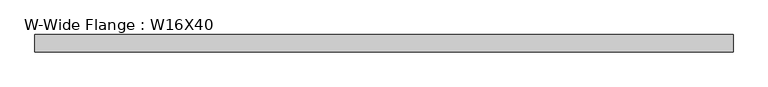
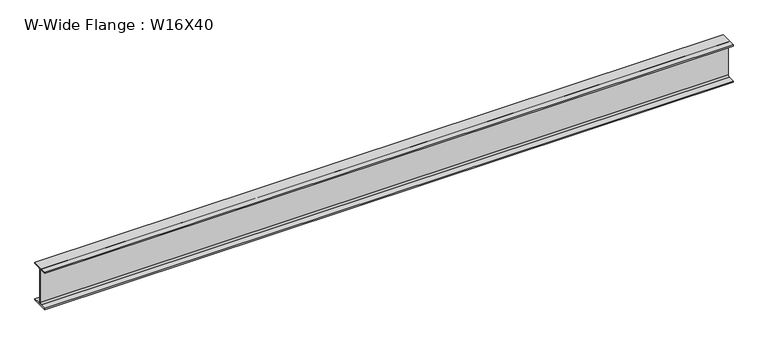
"""IFC4 building model written with IfcOpenShell, lengths in millimetres: beam geometry, W-Wide Flange : W16X40."""

import ifcopenshell
import ifcopenshell.guid

model = None  # the IFC model being written
_history = None  # IfcOwnerHistory: only IFC2X3 demands one
_inside = {}  # id of a spatial element -> (the spatial element, [elements in it])
_under = {}  # id of a project, library or spatial element -> (it, [spatial elements below it])
_declared = {}  # id of a project -> (the project, [libraries it declares])
_typed = {}  # id of a type object -> (the type object, [elements of that type])
_made_of = {}  # id of a material, layer set ... -> (it, [elements and type objects made of it])


def new_model(schema):
    """Start an empty IFC model of exactly this schema.

    Asked for "IFC4X3", IfcOpenShell would pick the latest addendum, in which some entities
    have other attributes; the version numbers below select the first issue.
    IFC2X3 requires an IfcOwnerHistory on every rooted entity: one is made here for all.
    """
    global model, _history
    if schema == "IFC4X3":
        model = ifcopenshell.file(schema_version=(4, 3, 0, 0))
    else:
        model = ifcopenshell.file(schema=schema)
    _inside.clear()
    _under.clear()
    _declared.clear()
    _typed.clear()
    _made_of.clear()
    _history = None
    if model.schema == "IFC2X3":
        org = make("IfcOrganization", Name="unknown")
        user = make(
            "IfcPersonAndOrganization",
            ThePerson=make("IfcPerson", FamilyName="unknown"),
            TheOrganization=org,
        )
        app = make(
            "IfcApplication",
            ApplicationDeveloper=org,
            Version="unknown",
            ApplicationFullName="unknown",
            ApplicationIdentifier="unknown",
        )
        _history = make(
            "IfcOwnerHistory",
            OwningUser=user,
            OwningApplication=app,
            ChangeAction="ADDED",
            CreationDate=0,
        )
    return model


def make(cls, **values):
    """One entity of the class cls with the attributes given. An attribute that is None is left unset."""
    return model.create_entity(
        cls, **{name: value for name, value in values.items() if value is not None}
    )


def rooted(cls, **values):
    """An entity with a GlobalId (a new one), such as an element, a storey or a relation."""
    return make(cls, GlobalId=ifcopenshell.guid.new(), OwnerHistory=_history, **values)


def si_unit(unit_type, name, prefix=None):
    """IfcSIUnit, for example si_unit("LENGTHUNIT", "METRE", prefix="MILLI")."""
    return make("IfcSIUnit", UnitType=unit_type, Prefix=prefix, Name=name)


def assignment(units):
    """IfcUnitAssignment: the units of a project."""
    return None if units is None else make("IfcUnitAssignment", Units=units)


def point(xyz):
    """IfcCartesianPoint."""
    return None if xyz is None else make("IfcCartesianPoint", Coordinates=xyz)


def direction(xyz):
    """IfcDirection."""
    return None if xyz is None else make("IfcDirection", DirectionRatios=xyz)


def frame(location, z_axis=None, x_axis=None):
    """IfcAxis2Placement3D, a coordinate frame: its origin and axes. An axis left out is left unset."""
    return make(
        "IfcAxis2Placement3D",
        Location=point(location),
        Axis=direction(z_axis),
        RefDirection=direction(x_axis),
    )


def frame_2d(location, x_axis=None):
    """IfcAxis2Placement2D, a coordinate frame in the plane: its origin and x axis."""
    return make(
        "IfcAxis2Placement2D", Location=point(location), RefDirection=direction(x_axis)
    )


def origin():
    """The frame at (0, 0, 0) with its axes left unset."""
    return frame((0.0, 0.0, 0.0))


def place(relative_to, where):
    """IfcLocalPlacement: puts the frame where relative to a parent placement (None: the world)."""
    return make(
        "IfcLocalPlacement", PlacementRelTo=relative_to, RelativePlacement=where
    )


def context(
    kind, dimensions, precision=None, world=None, true_north=None, identifier=None
):
    """IfcGeometricRepresentationContext, for example the 3D "Model" context."""
    return make(
        "IfcGeometricRepresentationContext",
        ContextIdentifier=identifier,
        ContextType=kind,
        CoordinateSpaceDimension=dimensions,
        Precision=precision,
        WorldCoordinateSystem=world,
        TrueNorth=true_north,
    )


def project(units=None, contexts=None):
    """IfcProject with its units and contexts."""
    return rooted(
        "IfcProject",
        Name="project",
        RepresentationContexts=contexts,
        UnitsInContext=assignment(units),
    )


def spatial(cls, under=None, at=None, **own):
    """A site, building, storey or space (cls), placed at a placement, below another one or the project."""
    s = rooted(cls, ObjectPlacement=at, **own)
    if under is not None:
        _under.setdefault(under.id(), (under, []))[1].append(s)
    return s


def polyline(points):
    """IfcPolyline through the points."""
    return make("IfcPolyline", Points=[point(p) for p in points])


def circle_curve(where, radius):
    """IfcCircle in the frame where."""
    return make("IfcCircle", Position=where, Radius=radius)


def trimmed(basis, trim1, trim2, sense, master):
    """IfcTrimmedCurve: the piece of a basis curve between two trims."""
    return make(
        "IfcTrimmedCurve",
        BasisCurve=basis,
        Trim1=trim1,
        Trim2=trim2,
        SenseAgreement=sense,
        MasterRepresentation=master,
    )


def segment(curve, same_sense, transition):
    """IfcCompositeCurveSegment."""
    return make(
        "IfcCompositeCurveSegment",
        Transition=transition,
        SameSense=same_sense,
        ParentCurve=curve,
    )


def composite_curve(segments, self_intersect=None):
    """IfcCompositeCurve: segments joined end to end."""
    return make("IfcCompositeCurve", Segments=segments, SelfIntersect=self_intersect)


def outline(outer, holes=None, kind="AREA"):
    """IfcArbitraryClosedProfileDef: a profile drawn as a closed curve; with holes, ...WithVoids."""
    if holes is None:
        return make("IfcArbitraryClosedProfileDef", ProfileType=kind, OuterCurve=outer)
    return make(
        "IfcArbitraryProfileDefWithVoids",
        ProfileType=kind,
        OuterCurve=outer,
        InnerCurves=holes,
    )


def extrude(swept, where, along, depth):
    """IfcExtrudedAreaSolid: the profile swept, set in the frame where, extruded along a direction by depth."""
    return make(
        "IfcExtrudedAreaSolid",
        SweptArea=swept,
        Position=where,
        ExtrudedDirection=direction(along),
        Depth=depth,
    )


def shape(context_of_items, identifier, shape_type, items):
    """IfcShapeRepresentation: the items that make up one representation, for example the "Body"."""
    return make(
        "IfcShapeRepresentation",
        ContextOfItems=context_of_items,
        RepresentationIdentifier=identifier,
        RepresentationType=shape_type,
        Items=items,
    )


def source(mapping_origin, context_of_items, identifier, shape_type, items):
    """IfcRepresentationMap: a shape defined once, which mapped items show again and again."""
    return make(
        "IfcRepresentationMap",
        MappingOrigin=mapping_origin,
        MappedRepresentation=shape(context_of_items, identifier, shape_type, items),
    )


def transform(
    local_origin,
    x_axis=None,
    y_axis=None,
    z_axis=None,
    scale=None,
    scale2=None,
    scale3=None,
    uniform=True,
):
    """IfcCartesianTransformationOperator3D, or its non-uniform kind. x_axis, y_axis, z_axis: its Axis1, 2, 3."""
    if uniform:
        return make(
            "IfcCartesianTransformationOperator3D",
            Axis1=direction(x_axis),
            Axis2=direction(y_axis),
            LocalOrigin=point(local_origin),
            Scale=scale,
            Axis3=direction(z_axis),
        )
    return make(
        "IfcCartesianTransformationOperator3DnonUniform",
        Axis1=direction(x_axis),
        Axis2=direction(y_axis),
        LocalOrigin=point(local_origin),
        Scale=scale,
        Axis3=direction(z_axis),
        Scale2=scale2,
        Scale3=scale3,
    )


def mapped(mapping_source, mapping_target):
    """IfcMappedItem: shows the shape of a source again, moved by a transform."""
    return make(
        "IfcMappedItem", MappingSource=mapping_source, MappingTarget=mapping_target
    )


def made_of(thing, what):
    """Note that an element or type object is made of a material, layer set ...; save() writes the relation."""
    if what is not None:
        _made_of.setdefault(what.id(), (what, []))[1].append(thing)
    return thing


def element(
    cls,
    number,
    at=None,
    inside=None,
    cuts=None,
    type_object=None,
    material=None,
    context=None,
    identifier="Body",
    shape_type=None,
    held_by="IfcProductDefinitionShape",
    body=None,
    shapes=None,
    **own,
):
    """One element of the class cls, such as IfcWall. Its Tag is "e" and its number.

    at: its placement. inside: the storey or other place that contains it. cuts: it is an
    opening in that element (IfcRelVoidsElement). A single representation is given by context,
    identifier, shape_type and body (its items); several are given by shapes. held_by: the class
    of the entity that holds the representations. save() writes the other relations.
    """
    e = rooted(cls, Tag="e%d" % number, ObjectPlacement=at, **own)
    if body is not None:
        shapes = [shape(context, identifier, shape_type, body)]
    if shapes is not None:
        e.Representation = make(held_by, Representations=shapes)
    if inside is not None:
        _inside.setdefault(inside.id(), (inside, []))[1].append(e)
    if cuts is not None:
        rooted(
            "IfcRelVoidsElement", RelatingBuildingElement=cuts, RelatedOpeningElement=e
        )
    if type_object is not None:
        _typed.setdefault(type_object.id(), (type_object, []))[1].append(e)
    return made_of(e, material)


def aggregate(whole, parts):
    """IfcRelAggregates: a whole, such as a stair, and the parts it consists of."""
    return rooted("IfcRelAggregates", RelatingObject=whole, RelatedObjects=parts)


def save(model, path):
    """Write the relations noted so far, then the file.

    IfcRelAggregates (storeys below a building ...), IfcRelContainedInSpatialStructure (elements
    in a storey), IfcRelDefinesByType, IfcRelAssociatesMaterial and IfcRelDeclares: one each for
    every whole, place, type object, material and project.
    """
    for whole, parts in _under.values():
        aggregate(whole, parts)
    for where, things in _inside.values():
        rooted(
            "IfcRelContainedInSpatialStructure",
            RelatedElements=things,
            RelatingStructure=where,
        )
    for kind, things in _typed.values():
        rooted("IfcRelDefinesByType", RelatedObjects=things, RelatingType=kind)
    for what, things in _made_of.values():
        rooted("IfcRelAssociatesMaterial", RelatedObjects=things, RelatingMaterial=what)
    for by, libraries in _declared.values():
        rooted("IfcRelDeclares", RelatingContext=by, RelatedDefinitions=libraries)
    model.write(path)


def w_wide_flange_w16x40_fadcb3d0(model_context):
    return source(origin(), model_context, "Body", "SweptSolid", [
        extrude(outline(composite_curve([segment(polyline([(88.9, -190.4), (88.9, -203.2), (-88.9, -203.2), (-88.9, -190.4), (-21.25, -190.4)]), True, "CONTINUOUS"), segment(trimmed(circle_curve(frame_2d((-21.25, -173.0)), 17.4), [point((-21.25, -190.4))], [point((-3.85, -173.0))], True, "CARTESIAN"), True, "CONTINUOUS"), segment(polyline([(-3.85, -173.0), (-3.85, 173.0)]), True, "CONTINUOUS"), segment(trimmed(circle_curve(frame_2d((-21.25, 173.0)), 17.4), [point((-3.85, 173.0))], [point((-21.25, 190.4))], True, "CARTESIAN"), True, "CONTINUOUS"), segment(polyline([(-21.25, 190.4), (-88.9, 190.4), (-88.9, 203.2), (88.9, 203.2), (88.9, 190.4), (21.25, 190.4)]), True, "CONTINUOUS"), segment(trimmed(circle_curve(frame_2d((21.25, 173.0)), 17.4), [point((21.25, 190.4))], [point((3.85, 173.0))], True, "CARTESIAN"), True, "CONTINUOUS"), segment(polyline([(3.85, 173.0), (3.85, -173.0)]), True, "CONTINUOUS"), segment(trimmed(circle_curve(frame_2d((21.25, -173.0)), 17.4), [point((3.85, -173.0))], [point((21.25, -190.4))], True, "CARTESIAN"), True, "CONTINUOUS"), segment(polyline([(21.25, -190.4), (88.9, -190.4)]), True, "CONTINUOUS")], self_intersect=False)), frame((-1541.0341005, 0.0, 0.0), z_axis=(1.0, 0.0, 0.0), x_axis=(0.0, 1.0, 0.0)), (0.0, 0.0, 1.0), 7071.4006514),
    ])


if __name__ == "__main__":
    model = new_model("IFC4")
    model_context = context("Model", 3, world=origin())
    ifc_project = project(units=[si_unit("LENGTHUNIT", "METRE", prefix="MILLI")], contexts=[model_context])
    site = spatial("IfcSite", under=ifc_project)
    building = spatial("IfcBuilding", under=site)
    placement = place(None, origin())
    w_wide_flange_w16x40_shape = w_wide_flange_w16x40_fadcb3d0(model_context)
    element("IfcBeam", 1, ObjectType="W-Wide Flange : W16X40", at=placement, inside=building, context=model_context, shape_type="MappedRepresentation", body=[
        mapped(w_wide_flange_w16x40_shape, transform((0.0, 0.0, 0.0), x_axis=(1.0, 0.0, 0.0), y_axis=(0.0, 1.0, 0.0), z_axis=(0.0, 0.0, 1.0))),
    ])
    save(model, "model.ifc")
